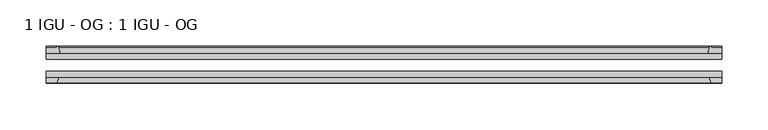
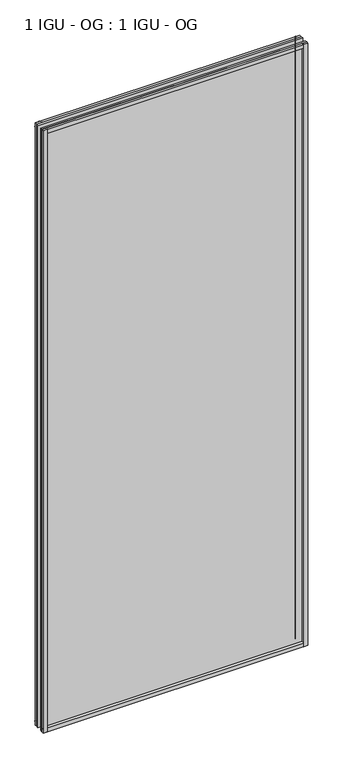
"""IFC4 building model written with IfcOpenShell, lengths in millimetres: plate geometry, 1 IGU - OG : 1 IGU - OG."""

import ifcopenshell
import ifcopenshell.guid

model = None  # the IFC model being written
_history = None  # IfcOwnerHistory: only IFC2X3 demands one
_inside = {}  # id of a spatial element -> (the spatial element, [elements in it])
_under = {}  # id of a project, library or spatial element -> (it, [spatial elements below it])
_declared = {}  # id of a project -> (the project, [libraries it declares])
_typed = {}  # id of a type object -> (the type object, [elements of that type])
_made_of = {}  # id of a material, layer set ... -> (it, [elements and type objects made of it])


def new_model(schema):
    """Start an empty IFC model of exactly this schema.

    Asked for "IFC4X3", IfcOpenShell would pick the latest addendum, in which some entities
    have other attributes; the version numbers below select the first issue.
    IFC2X3 requires an IfcOwnerHistory on every rooted entity: one is made here for all.
    """
    global model, _history
    if schema == "IFC4X3":
        model = ifcopenshell.file(schema_version=(4, 3, 0, 0))
    else:
        model = ifcopenshell.file(schema=schema)
    _inside.clear()
    _under.clear()
    _declared.clear()
    _typed.clear()
    _made_of.clear()
    _history = None
    if model.schema == "IFC2X3":
        org = make("IfcOrganization", Name="unknown")
        user = make(
            "IfcPersonAndOrganization",
            ThePerson=make("IfcPerson", FamilyName="unknown"),
            TheOrganization=org,
        )
        app = make(
            "IfcApplication",
            ApplicationDeveloper=org,
            Version="unknown",
            ApplicationFullName="unknown",
            ApplicationIdentifier="unknown",
        )
        _history = make(
            "IfcOwnerHistory",
            OwningUser=user,
            OwningApplication=app,
            ChangeAction="ADDED",
            CreationDate=0,
        )
    return model


def make(cls, **values):
    """One entity of the class cls with the attributes given. An attribute that is None is left unset."""
    return model.create_entity(
        cls, **{name: value for name, value in values.items() if value is not None}
    )


def rooted(cls, **values):
    """An entity with a GlobalId (a new one), such as an element, a storey or a relation."""
    return make(cls, GlobalId=ifcopenshell.guid.new(), OwnerHistory=_history, **values)


def si_unit(unit_type, name, prefix=None):
    """IfcSIUnit, for example si_unit("LENGTHUNIT", "METRE", prefix="MILLI")."""
    return make("IfcSIUnit", UnitType=unit_type, Prefix=prefix, Name=name)


def assignment(units):
    """IfcUnitAssignment: the units of a project."""
    return None if units is None else make("IfcUnitAssignment", Units=units)


def point(xyz):
    """IfcCartesianPoint."""
    return None if xyz is None else make("IfcCartesianPoint", Coordinates=xyz)


def direction(xyz):
    """IfcDirection."""
    return None if xyz is None else make("IfcDirection", DirectionRatios=xyz)


def frame(location, z_axis=None, x_axis=None):
    """IfcAxis2Placement3D, a coordinate frame: its origin and axes. An axis left out is left unset."""
    return make(
        "IfcAxis2Placement3D",
        Location=point(location),
        Axis=direction(z_axis),
        RefDirection=direction(x_axis),
    )


def frame_2d(location, x_axis=None):
    """IfcAxis2Placement2D, a coordinate frame in the plane: its origin and x axis."""
    return make(
        "IfcAxis2Placement2D", Location=point(location), RefDirection=direction(x_axis)
    )


def origin():
    """The frame at (0, 0, 0) with its axes left unset."""
    return frame((0.0, 0.0, 0.0))


def place(relative_to, where):
    """IfcLocalPlacement: puts the frame where relative to a parent placement (None: the world)."""
    return make(
        "IfcLocalPlacement", PlacementRelTo=relative_to, RelativePlacement=where
    )


def context(
    kind, dimensions, precision=None, world=None, true_north=None, identifier=None
):
    """IfcGeometricRepresentationContext, for example the 3D "Model" context."""
    return make(
        "IfcGeometricRepresentationContext",
        ContextIdentifier=identifier,
        ContextType=kind,
        CoordinateSpaceDimension=dimensions,
        Precision=precision,
        WorldCoordinateSystem=world,
        TrueNorth=true_north,
    )


def project(units=None, contexts=None):
    """IfcProject with its units and contexts."""
    return rooted(
        "IfcProject",
        Name="project",
        RepresentationContexts=contexts,
        UnitsInContext=assignment(units),
    )


def spatial(cls, under=None, at=None, **own):
    """A site, building, storey or space (cls), placed at a placement, below another one or the project."""
    s = rooted(cls, ObjectPlacement=at, **own)
    if under is not None:
        _under.setdefault(under.id(), (under, []))[1].append(s)
    return s


def polyline(points):
    """IfcPolyline through the points."""
    return make("IfcPolyline", Points=[point(p) for p in points])


def circle_curve(where, radius):
    """IfcCircle in the frame where."""
    return make("IfcCircle", Position=where, Radius=radius)


def trimmed(basis, trim1, trim2, sense, master):
    """IfcTrimmedCurve: the piece of a basis curve between two trims."""
    return make(
        "IfcTrimmedCurve",
        BasisCurve=basis,
        Trim1=trim1,
        Trim2=trim2,
        SenseAgreement=sense,
        MasterRepresentation=master,
    )


def segment(curve, same_sense, transition):
    """IfcCompositeCurveSegment."""
    return make(
        "IfcCompositeCurveSegment",
        Transition=transition,
        SameSense=same_sense,
        ParentCurve=curve,
    )


def composite_curve(segments, self_intersect=None):
    """IfcCompositeCurve: segments joined end to end."""
    return make("IfcCompositeCurve", Segments=segments, SelfIntersect=self_intersect)


def outline(outer, holes=None, kind="AREA"):
    """IfcArbitraryClosedProfileDef: a profile drawn as a closed curve; with holes, ...WithVoids."""
    if holes is None:
        return make("IfcArbitraryClosedProfileDef", ProfileType=kind, OuterCurve=outer)
    return make(
        "IfcArbitraryProfileDefWithVoids",
        ProfileType=kind,
        OuterCurve=outer,
        InnerCurves=holes,
    )


def extrude(swept, where, along, depth):
    """IfcExtrudedAreaSolid: the profile swept, set in the frame where, extruded along a direction by depth."""
    return make(
        "IfcExtrudedAreaSolid",
        SweptArea=swept,
        Position=where,
        ExtrudedDirection=direction(along),
        Depth=depth,
    )


def shape(context_of_items, identifier, shape_type, items):
    """IfcShapeRepresentation: the items that make up one representation, for example the "Body"."""
    return make(
        "IfcShapeRepresentation",
        ContextOfItems=context_of_items,
        RepresentationIdentifier=identifier,
        RepresentationType=shape_type,
        Items=items,
    )


def source(mapping_origin, context_of_items, identifier, shape_type, items):
    """IfcRepresentationMap: a shape defined once, which mapped items show again and again."""
    return make(
        "IfcRepresentationMap",
        MappingOrigin=mapping_origin,
        MappedRepresentation=shape(context_of_items, identifier, shape_type, items),
    )


def transform(
    local_origin,
    x_axis=None,
    y_axis=None,
    z_axis=None,
    scale=None,
    scale2=None,
    scale3=None,
    uniform=True,
):
    """IfcCartesianTransformationOperator3D, or its non-uniform kind. x_axis, y_axis, z_axis: its Axis1, 2, 3."""
    if uniform:
        return make(
            "IfcCartesianTransformationOperator3D",
            Axis1=direction(x_axis),
            Axis2=direction(y_axis),
            LocalOrigin=point(local_origin),
            Scale=scale,
            Axis3=direction(z_axis),
        )
    return make(
        "IfcCartesianTransformationOperator3DnonUniform",
        Axis1=direction(x_axis),
        Axis2=direction(y_axis),
        LocalOrigin=point(local_origin),
        Scale=scale,
        Axis3=direction(z_axis),
        Scale2=scale2,
        Scale3=scale3,
    )


def mapped(mapping_source, mapping_target):
    """IfcMappedItem: shows the shape of a source again, moved by a transform."""
    return make(
        "IfcMappedItem", MappingSource=mapping_source, MappingTarget=mapping_target
    )


def made_of(thing, what):
    """Note that an element or type object is made of a material, layer set ...; save() writes the relation."""
    if what is not None:
        _made_of.setdefault(what.id(), (what, []))[1].append(thing)
    return thing


def element(
    cls,
    number,
    at=None,
    inside=None,
    cuts=None,
    type_object=None,
    material=None,
    context=None,
    identifier="Body",
    shape_type=None,
    held_by="IfcProductDefinitionShape",
    body=None,
    shapes=None,
    **own,
):
    """One element of the class cls, such as IfcWall. Its Tag is "e" and its number.

    at: its placement. inside: the storey or other place that contains it. cuts: it is an
    opening in that element (IfcRelVoidsElement). A single representation is given by context,
    identifier, shape_type and body (its items); several are given by shapes. held_by: the class
    of the entity that holds the representations. save() writes the other relations.
    """
    e = rooted(cls, Tag="e%d" % number, ObjectPlacement=at, **own)
    if body is not None:
        shapes = [shape(context, identifier, shape_type, body)]
    if shapes is not None:
        e.Representation = make(held_by, Representations=shapes)
    if inside is not None:
        _inside.setdefault(inside.id(), (inside, []))[1].append(e)
    if cuts is not None:
        rooted(
            "IfcRelVoidsElement", RelatingBuildingElement=cuts, RelatedOpeningElement=e
        )
    if type_object is not None:
        _typed.setdefault(type_object.id(), (type_object, []))[1].append(e)
    return made_of(e, material)


def aggregate(whole, parts):
    """IfcRelAggregates: a whole, such as a stair, and the parts it consists of."""
    return rooted("IfcRelAggregates", RelatingObject=whole, RelatedObjects=parts)


def save(model, path):
    """Write the relations noted so far, then the file.

    IfcRelAggregates (storeys below a building ...), IfcRelContainedInSpatialStructure (elements
    in a storey), IfcRelDefinesByType, IfcRelAssociatesMaterial and IfcRelDeclares: one each for
    every whole, place, type object, material and project.
    """
    for whole, parts in _under.values():
        aggregate(whole, parts)
    for where, things in _inside.values():
        rooted(
            "IfcRelContainedInSpatialStructure",
            RelatedElements=things,
            RelatingStructure=where,
        )
    for kind, things in _typed.values():
        rooted("IfcRelDefinesByType", RelatedObjects=things, RelatingType=kind)
    for what, things in _made_of.values():
        rooted("IfcRelAssociatesMaterial", RelatedObjects=things, RelatingMaterial=what)
    for by, libraries in _declared.values():
        rooted("IfcRelDeclares", RelatingContext=by, RelatedDefinitions=libraries)
    model.write(path)


def plate_1_igu_og_1_igu_og_7cde6fd9(model_context):
    return source(origin(), model_context, "Body", "SweptSolid", [
        extrude(outline(polyline([(345.8824303, -31.75), (345.8824303, -38.1), (-383.9824303, -38.1), (-383.9824303, -31.75), (345.8824303, -31.75)])), frame((0.0, 0.0, -11.1125), z_axis=(0.0, 0.0, 1.0), x_axis=(1.0, 0.0, 0.0)), (0.0, 0.0, 1.0), 1755.775),
        extrude(outline(polyline([(-383.9824303, -12.7), (345.8824303, -12.7), (345.8824303, -19.05), (-383.9824303, -19.05), (-383.9824303, -12.7)])), frame((0.0, 0.0, -11.1125), z_axis=(0.0, 0.0, 1.0), x_axis=(1.0, 0.0, 0.0)), (0.0, 0.0, 1.0), 1755.775),
        extrude(outline(composite_curve([segment(polyline([(-368.6466394, -12.7), (-383.9824303, -12.7), (-383.9824303, -6.35), (-372.8699303, -6.35), (-372.8699303, -4.7751661), (-371.9405163, -4.7751661)]), True, "CONTINUOUS"), segment(trimmed(circle_curve(frame_2d((-371.9405163, -5.5371661)), 0.762), [point((-371.9405163, -4.7751661))], [point((-371.1983063, -5.364631))], False, "CARTESIAN"), True, "CONTINUOUS"), segment(trimmed(circle_curve(frame_2d((-335.5690881, 2.9177851)), 36.5792237), [point((-371.1983063, -5.364631))], [point((-368.6466394, -12.7))], True, "CARTESIAN"), True, "CONTINUOUS")], self_intersect=False)), frame((0.0, 0.0, -11.1125), z_axis=(0.0, 0.0, 1.0), x_axis=(1.0, 0.0, 0.0)), (0.0, 0.0, 1.0), 1755.775),
        extrude(outline(polyline([(-383.9824303, -38.1), (-370.7646532, -38.1), (-372.8699303, -44.45), (-383.9824303, -44.45), (-383.9824303, -38.1)])), frame((0.0, 0.0, -11.1125), z_axis=(0.0, 0.0, 1.0), x_axis=(1.0, 0.0, 0.0)), (0.0, 0.0, 1.0), 1755.775),
        extrude(outline(composite_curve([segment(trimmed(circle_curve(frame_2d((333.8405163, -5.5371661)), 0.762), [point((333.0983063, -5.364631))], [point((333.8405163, -4.7751661))], False, "CARTESIAN"), True, "CONTINUOUS"), segment(polyline([(333.8405163, -4.7751661), (334.7699303, -4.7751661), (334.7699303, -6.35), (345.8824303, -6.35), (345.8824303, -12.7), (330.5466394, -12.7)]), True, "CONTINUOUS"), segment(trimmed(circle_curve(frame_2d((297.4690881, 2.9177851)), 36.5792237), [point((330.5466394, -12.7))], [point((333.0983063, -5.364631))], True, "CARTESIAN"), True, "CONTINUOUS")], self_intersect=False)), frame((0.0, 0.0, -11.1125), z_axis=(0.0, 0.0, 1.0), x_axis=(1.0, 0.0, 0.0)), (0.0, 0.0, 1.0), 1755.775),
        extrude(outline(polyline([(332.6646532, -38.1), (345.8824303, -38.1), (345.8824303, -44.45), (334.7699303, -44.45), (332.6646532, -38.1)])), frame((0.0, 0.0, -11.1125), z_axis=(0.0, 0.0, 1.0), x_axis=(1.0, 0.0, 0.0)), (0.0, 0.0, 1.0), 1755.775),
        extrude(outline(composite_curve([segment(polyline([(-12.7, -11.1125), (-12.7, 4.2232909)]), True, "CONTINUOUS"), segment(trimmed(circle_curve(frame_2d((2.9177851, 37.3008421)), 36.5792237), [point((-12.7, 4.2232909))], [point((-5.364631, 1.6716239))], True, "CARTESIAN"), True, "CONTINUOUS"), segment(trimmed(circle_curve(frame_2d((-5.5371661, 0.929414)), 0.762), [point((-5.364631, 1.6716239))], [point((-4.7751661, 0.929414))], False, "CARTESIAN"), True, "CONTINUOUS"), segment(polyline([(-4.7751661, 0.929414), (-4.7751661, 0.0), (-6.35, 0.0), (-6.35, -11.1125), (-12.7, -11.1125)]), True, "CONTINUOUS")], self_intersect=False)), frame((-383.9824303, 0.0, 0.0), z_axis=(1.0, 0.0, 0.0), x_axis=(0.0, 1.0, 0.0)), (0.0, 0.0, 1.0), 729.8648605),
        extrude(outline(polyline([(-38.1, 2.1052771), (-38.1, -11.1125), (-44.45, -11.1125), (-44.45, 0.0), (-38.1, 2.1052771)])), frame((-383.9824303, 0.0, 0.0), z_axis=(1.0, 0.0, 0.0), x_axis=(0.0, 1.0, 0.0)), (0.0, 0.0, 1.0), 729.8648605),
        extrude(outline(composite_curve([segment(trimmed(circle_curve(frame_2d((2.9177851, 1696.2491579)), 36.5792237), [point((-5.364631, 1731.8783761))], [point((-12.7, 1729.3267091))], True, "CARTESIAN"), True, "CONTINUOUS"), segment(polyline([(-12.7, 1729.3267091), (-12.7, 1744.6625), (-6.35, 1744.6625), (-6.35, 1733.55), (-4.7751661, 1733.55), (-4.7751661, 1732.620586)]), True, "CONTINUOUS"), segment(trimmed(circle_curve(frame_2d((-5.5371661, 1732.620586)), 0.762), [point((-4.7751661, 1732.620586))], [point((-5.364631, 1731.8783761))], False, "CARTESIAN"), True, "CONTINUOUS")], self_intersect=False)), frame((-383.9824303, 0.0, 0.0), z_axis=(1.0, 0.0, 0.0), x_axis=(0.0, 1.0, 0.0)), (0.0, 0.0, 1.0), 729.8648605),
        extrude(outline(polyline([(-38.1, 1744.6625), (-38.1, 1731.4447229), (-44.45, 1733.55), (-44.45, 1744.6625), (-38.1, 1744.6625)])), frame((-383.9824303, 0.0, 0.0), z_axis=(1.0, 0.0, 0.0), x_axis=(0.0, 1.0, 0.0)), (0.0, 0.0, 1.0), 729.8648605),
    ])


if __name__ == "__main__":
    model = new_model("IFC4")
    model_context = context("Model", 3, world=origin())
    ifc_project = project(units=[si_unit("LENGTHUNIT", "METRE", prefix="MILLI")], contexts=[model_context])
    site = spatial("IfcSite", under=ifc_project)
    building = spatial("IfcBuilding", under=site)
    placement = place(None, origin())
    plate_1_igu_og_1_igu_og_shape = plate_1_igu_og_1_igu_og_7cde6fd9(model_context)
    element("IfcPlate", 1, ObjectType="1 IGU - OG : 1 IGU - OG", at=placement, inside=building, context=model_context, shape_type="MappedRepresentation", body=[
        mapped(plate_1_igu_og_1_igu_og_shape, transform((0.0, 0.0, 0.0), x_axis=(1.0, 0.0, 0.0), y_axis=(0.0, 1.0, 0.0), z_axis=(0.0, 0.0, 1.0))),
    ])
    save(model, "model.ifc")
